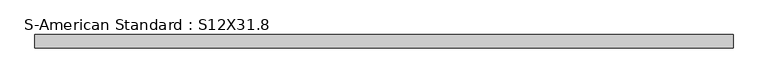
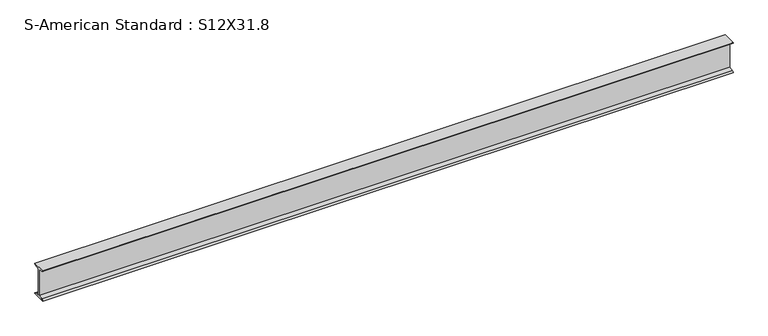
"""IFC4 building model written with IfcOpenShell, lengths in millimetres: beam geometry, S-American Standard : S12X31.8."""

from ifc_helpers import new_model, si_unit, point, frame, frame_2d, origin, place, context, project, spatial, polyline, circle_curve, trimmed, segment, composite_curve, outline, extrude, source, transform, mapped, element, save


def s_american_standard_s12x31_8_4e133520(model_context):
    return source(origin(), model_context, "Body", "SweptSolid", [
        extrude(outline(composite_curve([segment(polyline([(-63.5, 152.4), (63.5, 152.4)]), True, "CONTINUOUS"), segment(trimmed(circle_curve(frame_2d((49.7, 152.4)), 13.8), [point((63.5, 152.4))], [point((49.7, 138.6))], False, "CARTESIAN"), True, "CONTINUOUS"), segment(polyline([(49.7, 138.6), (4.45, 131.4331041), (4.45, -131.4331041), (49.7, -138.6)]), True, "CONTINUOUS"), segment(trimmed(circle_curve(frame_2d((49.7, -152.4)), 13.8), [point((49.7, -138.6))], [point((63.5, -152.4))], False, "CARTESIAN"), True, "CONTINUOUS"), segment(polyline([(63.5, -152.4), (-63.5, -152.4)]), True, "CONTINUOUS"), segment(trimmed(circle_curve(frame_2d((-49.7, -152.4)), 13.8), [point((-63.5, -152.4))], [point((-49.7, -138.6))], False, "CARTESIAN"), True, "CONTINUOUS"), segment(polyline([(-49.7, -138.6), (-4.45, -131.4331041), (-4.45, 131.4331041), (-49.7, 138.6)]), True, "CONTINUOUS"), segment(trimmed(circle_curve(frame_2d((-49.7, 152.4)), 13.8), [point((-49.7, 138.6))], [point((-63.5, 152.4))], False, "CARTESIAN"), True, "CONTINUOUS")], self_intersect=False)), frame((-2888.4566914, 0.0, 0.0), z_axis=(1.0, 0.0, 0.0), x_axis=(0.0, 1.0, 0.0)), (0.0, 0.0, 1.0), 6560.3248834),
    ])


if __name__ == "__main__":
    model = new_model("IFC4")
    model_context = context("Model", 3, world=origin())
    ifc_project = project(units=[si_unit("LENGTHUNIT", "METRE", prefix="MILLI")], contexts=[model_context])
    site = spatial("IfcSite", under=ifc_project)
    building = spatial("IfcBuilding", under=site)
    placement = place(None, origin())
    s_american_standard_s12x31_8_shape = s_american_standard_s12x31_8_4e133520(model_context)
    element("IfcBeam", 1, ObjectType="S-American Standard : S12X31.8", at=placement, inside=building, context=model_context, shape_type="MappedRepresentation", body=[
        mapped(s_american_standard_s12x31_8_shape, transform((0.0, 0.0, 0.0), x_axis=(1.0, 0.0, 0.0), y_axis=(0.0, 1.0, 0.0), z_axis=(0.0, 0.0, 1.0))),
    ])
    save(model, "model.ifc")
